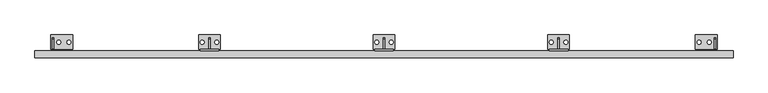
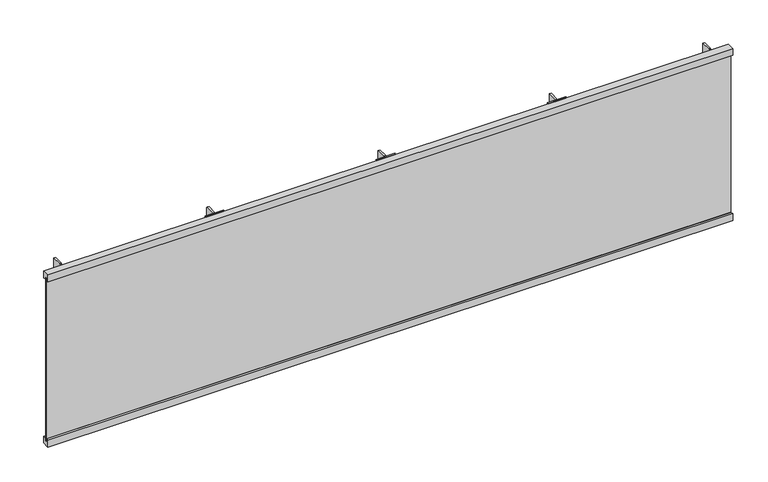
"""IFC4 building model written with IfcOpenShell, lengths in millimetres: railing geometry."""

from ifc_helpers import new_model, si_unit, point, frame, frame_2d, origin, origin_with_axes, place, context, project, spatial, polyline, circle_curve, trimmed, segment, composite_curve, outline, extrude, source, transform, mapped, element, save


def railing_aa09d06a(model_context):
    return source(origin(), model_context, "Body", "SweptSolid", [
        extrude(outline(polyline([(5211.3681146, 1005.0), (5211.3681146, 955.0), (5194.3681146, 955.0), (5194.3681146, 975.0), (5178.3681146, 975.0), (5178.3681146, 955.0), (5161.3681146, 955.0), (5161.3681146, 1005.0), (5211.3681146, 1005.0)])), frame((9960.6479588, 0.0, 0.0), z_axis=(1.0, 0.0, 0.0), x_axis=(0.0, 1.0, 0.0)), (0.0, 0.0, 1.0), 4800.0),
        extrude(outline(polyline([(9960.6479588, 5182.3681146), (9960.6479588, 5190.3681146), (14760.6479588, 5190.3681146), (14760.6479588, 5182.3681146), (9960.6479588, 5182.3681146)])), frame((0.0, 0.0, -220.0), z_axis=(0.0, 0.0, 1.0), x_axis=(1.0, 0.0, 0.0)), (0.0, 0.0, 1.0), 1175.0),
        extrude(outline(polyline([(5211.3681146, -270.0), (5161.3681146, -270.0), (5161.3681146, -220.0), (5178.3681146, -220.0), (5178.3681146, -245.0), (5194.3681146, -245.0), (5194.3681146, -220.0), (5211.3681146, -220.0), (5211.3681146, -270.0)])), frame((9960.6479588, 0.0, 0.0), z_axis=(1.0, 0.0, 0.0), x_axis=(0.0, 1.0, 0.0)), (0.0, 0.0, 1.0), 4800.0),
        extrude(outline(polyline([(13535.6479588, 5219.3681146), (13585.6479588, 5219.3681146), (13585.6479588, 5211.3681146), (13535.6479588, 5211.3681146), (13535.6479588, 5219.3681146)])), frame((0.0, 0.0, -257.715703), z_axis=(0.0, 0.0, 1.0), x_axis=(1.0, 0.0, 0.0)), (0.0, 0.0, 1.0), 95.431406),
        extrude(outline(polyline([(13495.6479588, 5219.3681146), (13625.6479588, 5219.3681146), (13625.6479588, 5211.3681146), (13495.6479588, 5211.3681146), (13495.6479588, 5219.3681146)])), frame((0.0, 0.0, 975.0), z_axis=(0.0, 0.0, 1.0), x_axis=(1.0, 0.0, 0.0)), (0.0, 0.0, 1.0), 35.0),
        extrude(outline(polyline([(5299.3681146, 12.0), (5219.3681146, 12.0), (5219.3681146, 1005.0), (5224.3681146, 1010.0), (5294.3681146, 1010.0), (5299.3681146, 1005.0), (5299.3681146, 12.0)])), frame((13554.6479588, 0.0, 0.0), z_axis=(1.0, 0.0, 0.0), x_axis=(0.0, 1.0, 0.0)), (0.0, 0.0, 1.0), 12.0),
        extrude(outline(polyline([(13485.6479588, 5319.3681146), (13635.6479588, 5319.3681146), (13635.6479588, 5219.3681146), (13485.6479588, 5219.3681146), (13485.6479588, 5319.3681146)]), holes=[composite_curve([segment(trimmed(circle_curve(frame_2d((13510.6479588, 5269.3681146)), 13.5), [point((13510.6479588, 5255.8681146))], [point((13510.6479588, 5282.8681146))], True, "CARTESIAN"), True, "CONTINUOUS"), segment(trimmed(circle_curve(frame_2d((13510.6479588, 5269.3681146)), 13.5), [point((13510.6479588, 5282.8681146))], [point((13510.6479588, 5255.8681146))], True, "CARTESIAN"), True, "CONTINUOUS")], self_intersect=False), composite_curve([segment(trimmed(circle_curve(frame_2d((13610.6479588, 5269.3681146)), 13.5), [point((13610.6479588, 5255.8681146))], [point((13610.6479588, 5282.8681146))], True, "CARTESIAN"), True, "CONTINUOUS"), segment(trimmed(circle_curve(frame_2d((13610.6479588, 5269.3681146)), 13.5), [point((13610.6479588, 5282.8681146))], [point((13610.6479588, 5255.8681146))], True, "CARTESIAN"), True, "CONTINUOUS")], self_intersect=False)]), origin_with_axes(), (0.0, 0.0, 1.0), 12.0),
        extrude(outline(polyline([(12335.6479588, 5219.3681146), (12385.6479588, 5219.3681146), (12385.6479588, 5211.3681146), (12335.6479588, 5211.3681146), (12335.6479588, 5219.3681146)])), frame((0.0, 0.0, -257.715703), z_axis=(0.0, 0.0, 1.0), x_axis=(1.0, 0.0, 0.0)), (0.0, 0.0, 1.0), 95.431406),
        extrude(outline(polyline([(12295.6479588, 5219.3681146), (12425.6479588, 5219.3681146), (12425.6479588, 5211.3681146), (12295.6479588, 5211.3681146), (12295.6479588, 5219.3681146)])), frame((0.0, 0.0, 975.0), z_axis=(0.0, 0.0, 1.0), x_axis=(1.0, 0.0, 0.0)), (0.0, 0.0, 1.0), 35.0),
        extrude(outline(polyline([(5299.3681146, 12.0), (5219.3681146, 12.0), (5219.3681146, 1005.0), (5224.3681146, 1010.0), (5294.3681146, 1010.0), (5299.3681146, 1005.0), (5299.3681146, 12.0)])), frame((12354.6479588, 0.0, 0.0), z_axis=(1.0, 0.0, 0.0), x_axis=(0.0, 1.0, 0.0)), (0.0, 0.0, 1.0), 12.0),
        extrude(outline(polyline([(12285.6479588, 5319.3681146), (12435.6479588, 5319.3681146), (12435.6479588, 5219.3681146), (12285.6479588, 5219.3681146), (12285.6479588, 5319.3681146)]), holes=[composite_curve([segment(trimmed(circle_curve(frame_2d((12310.6479588, 5269.3681146)), 13.5), [point((12310.6479588, 5255.8681146))], [point((12310.6479588, 5282.8681146))], True, "CARTESIAN"), True, "CONTINUOUS"), segment(trimmed(circle_curve(frame_2d((12310.6479588, 5269.3681146)), 13.5), [point((12310.6479588, 5282.8681146))], [point((12310.6479588, 5255.8681146))], True, "CARTESIAN"), True, "CONTINUOUS")], self_intersect=False), composite_curve([segment(trimmed(circle_curve(frame_2d((12410.6479588, 5269.3681146)), 13.5), [point((12410.6479588, 5255.8681146))], [point((12410.6479588, 5282.8681146))], True, "CARTESIAN"), True, "CONTINUOUS"), segment(trimmed(circle_curve(frame_2d((12410.6479588, 5269.3681146)), 13.5), [point((12410.6479588, 5282.8681146))], [point((12410.6479588, 5255.8681146))], True, "CARTESIAN"), True, "CONTINUOUS")], self_intersect=False)]), origin_with_axes(), (0.0, 0.0, 1.0), 12.0),
        extrude(outline(polyline([(11135.6479588, 5219.3681146), (11185.6479588, 5219.3681146), (11185.6479588, 5211.3681146), (11135.6479588, 5211.3681146), (11135.6479588, 5219.3681146)])), frame((0.0, 0.0, -257.715703), z_axis=(0.0, 0.0, 1.0), x_axis=(1.0, 0.0, 0.0)), (0.0, 0.0, 1.0), 95.431406),
        extrude(outline(polyline([(11095.6479588, 5219.3681146), (11225.6479588, 5219.3681146), (11225.6479588, 5211.3681146), (11095.6479588, 5211.3681146), (11095.6479588, 5219.3681146)])), frame((0.0, 0.0, 975.0), z_axis=(0.0, 0.0, 1.0), x_axis=(1.0, 0.0, 0.0)), (0.0, 0.0, 1.0), 35.0),
        extrude(outline(polyline([(5299.3681146, 12.0), (5219.3681146, 12.0), (5219.3681146, 1005.0), (5224.3681146, 1010.0), (5294.3681146, 1010.0), (5299.3681146, 1005.0), (5299.3681146, 12.0)])), frame((11154.6479588, 0.0, 0.0), z_axis=(1.0, 0.0, 0.0), x_axis=(0.0, 1.0, 0.0)), (0.0, 0.0, 1.0), 12.0),
        extrude(outline(polyline([(11085.6479588, 5319.3681146), (11235.6479588, 5319.3681146), (11235.6479588, 5219.3681146), (11085.6479588, 5219.3681146), (11085.6479588, 5319.3681146)]), holes=[composite_curve([segment(trimmed(circle_curve(frame_2d((11110.6479588, 5269.3681146)), 13.5), [point((11110.6479588, 5255.8681146))], [point((11110.6479588, 5282.8681146))], True, "CARTESIAN"), True, "CONTINUOUS"), segment(trimmed(circle_curve(frame_2d((11110.6479588, 5269.3681146)), 13.5), [point((11110.6479588, 5282.8681146))], [point((11110.6479588, 5255.8681146))], True, "CARTESIAN"), True, "CONTINUOUS")], self_intersect=False), composite_curve([segment(trimmed(circle_curve(frame_2d((11210.6479588, 5269.3681146)), 13.5), [point((11210.6479588, 5255.8681146))], [point((11210.6479588, 5282.8681146))], True, "CARTESIAN"), True, "CONTINUOUS"), segment(trimmed(circle_curve(frame_2d((11210.6479588, 5269.3681146)), 13.5), [point((11210.6479588, 5282.8681146))], [point((11210.6479588, 5255.8681146))], True, "CARTESIAN"), True, "CONTINUOUS")], self_intersect=False)]), origin_with_axes(), (0.0, 0.0, 1.0), 12.0),
        extrude(outline(polyline([(5299.3681146, 12.0), (5219.3681146, 12.0), (5219.3681146, 1005.0), (5224.3681146, 1010.0), (5294.3681146, 1010.0), (5299.3681146, 1005.0), (5299.3681146, 12.0)])), frame((14629.6479588, 0.0, 0.0), z_axis=(1.0, 0.0, 0.0), x_axis=(0.0, 1.0, 0.0)), (0.0, 0.0, 1.0), 12.0),
        extrude(outline(polyline([(14501.6479588, 5319.3681146), (14651.6479588, 5319.3681146), (14651.6479588, 5219.3681146), (14501.6479588, 5219.3681146), (14501.6479588, 5319.3681146)]), holes=[composite_curve([segment(trimmed(circle_curve(frame_2d((14526.6479588, 5269.3681146)), 13.5), [point((14526.6479588, 5255.8681146))], [point((14526.6479588, 5282.8681146))], True, "CARTESIAN"), True, "CONTINUOUS"), segment(trimmed(circle_curve(frame_2d((14526.6479588, 5269.3681146)), 13.5), [point((14526.6479588, 5282.8681146))], [point((14526.6479588, 5255.8681146))], True, "CARTESIAN"), True, "CONTINUOUS")], self_intersect=False), composite_curve([segment(trimmed(circle_curve(frame_2d((14596.6479588, 5269.3681146)), 13.5), [point((14596.6479588, 5255.8681146))], [point((14596.6479588, 5282.8681146))], True, "CARTESIAN"), True, "CONTINUOUS"), segment(trimmed(circle_curve(frame_2d((14596.6479588, 5269.3681146)), 13.5), [point((14596.6479588, 5282.8681146))], [point((14596.6479588, 5255.8681146))], True, "CARTESIAN"), True, "CONTINUOUS")], self_intersect=False)]), origin_with_axes(), (0.0, 0.0, 1.0), 12.0),
        extrude(outline(polyline([(5299.3681146, 12.0), (5219.3681146, 12.0), (5219.3681146, 1005.0), (5224.3681146, 1010.0), (5294.3681146, 1010.0), (5299.3681146, 1005.0), (5299.3681146, 12.0)])), frame((10079.6479588, 0.0, 0.0), z_axis=(1.0, 0.0, 0.0), x_axis=(0.0, 1.0, 0.0)), (0.0, 0.0, 1.0), 12.0),
        extrude(outline(polyline([(10069.6479588, 5319.3681146), (10219.6479588, 5319.3681146), (10219.6479588, 5219.3681146), (10069.6479588, 5219.3681146), (10069.6479588, 5319.3681146)]), holes=[composite_curve([segment(trimmed(circle_curve(frame_2d((10124.6479588, 5269.3681146)), 13.5), [point((10124.6479588, 5255.8681146))], [point((10124.6479588, 5282.8681146))], True, "CARTESIAN"), True, "CONTINUOUS"), segment(trimmed(circle_curve(frame_2d((10124.6479588, 5269.3681146)), 13.5), [point((10124.6479588, 5282.8681146))], [point((10124.6479588, 5255.8681146))], True, "CARTESIAN"), True, "CONTINUOUS")], self_intersect=False), composite_curve([segment(trimmed(circle_curve(frame_2d((10194.6479588, 5269.3681146)), 13.5), [point((10194.6479588, 5255.8681146))], [point((10194.6479588, 5282.8681146))], True, "CARTESIAN"), True, "CONTINUOUS"), segment(trimmed(circle_curve(frame_2d((10194.6479588, 5269.3681146)), 13.5), [point((10194.6479588, 5282.8681146))], [point((10194.6479588, 5255.8681146))], True, "CARTESIAN"), True, "CONTINUOUS")], self_intersect=False)]), origin_with_axes(), (0.0, 0.0, 1.0), 12.0),
    ])


if __name__ == "__main__":
    model = new_model("IFC4")
    model_context = context("Model", 3, world=origin())
    ifc_project = project(units=[si_unit("LENGTHUNIT", "METRE", prefix="MILLI")], contexts=[model_context])
    site = spatial("IfcSite", under=ifc_project)
    building = spatial("IfcBuilding", under=site)
    placement = place(None, origin())
    railing_shape = railing_aa09d06a(model_context)
    element("IfcRailing", 1, at=placement, inside=building, context=model_context, shape_type="MappedRepresentation", body=[
        mapped(railing_shape, transform((0.0, 0.0, 0.0), x_axis=(1.0, 0.0, 0.0), y_axis=(0.0, 1.0, 0.0), z_axis=(0.0, 0.0, 1.0))),
    ])
    save(model, "model.ifc")
